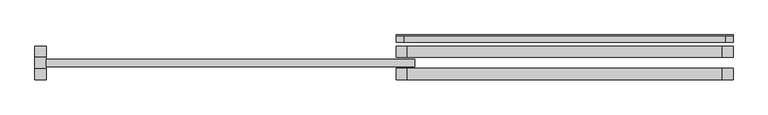
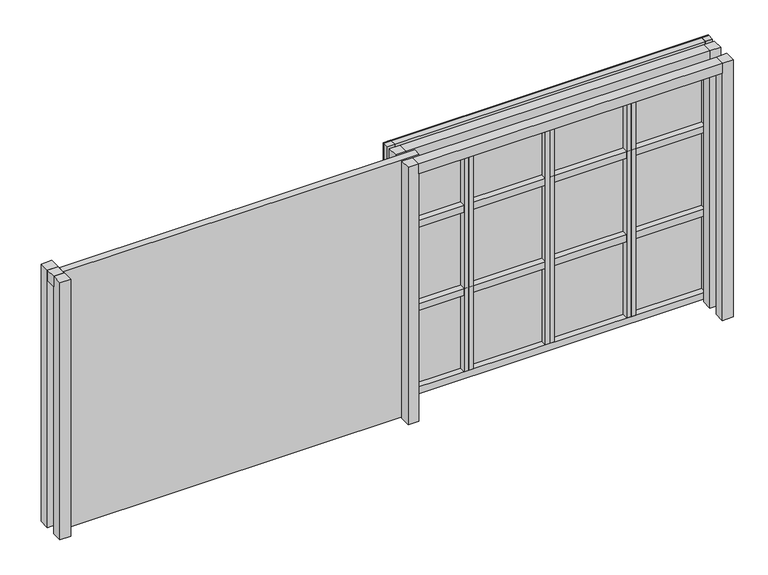
"""IFC4 building model written with IfcOpenShell, lengths in millimetres: proxy geometry."""

from ifc_helpers import new_model, si_unit, frame, origin, origin_with_axes, place, context, project, spatial, polyline, outline, extrude, source, transform, mapped, element, save


def generic_models_c9752da0(model_context):
    return source(origin(), model_context, "Body", "SweptSolid", [
        extrude(outline(polyline([(8139.7490867, 299.2151935), (8139.7490867, 289.2151935), (4520.0, 289.2151935), (4520.0, 299.2151935), (8139.7490867, 299.2151935)])), origin_with_axes(), (0.0, 0.0, 1.0), 3030.0),
        extrude(outline(polyline([(7184.811815, 219.2151935), (7184.811815, 299.2151935), (7234.811815, 299.2151935), (7234.811815, 219.2151935), (7184.811815, 219.2151935)])), frame((0.0, 0.0, 80.0), z_axis=(0.0, 0.0, 1.0), x_axis=(1.0, 0.0, 0.0)), (0.0, 0.0, 1.0), 2870.0),
        extrude(outline(polyline([(7284.811815, 219.2151935), (7234.811815, 219.2151935), (7234.811815, 299.2151935), (7284.811815, 299.2151935), (7284.811815, 219.2151935)])), frame((0.0, 0.0, 80.0), z_axis=(0.0, 0.0, 1.0), x_axis=(1.0, 0.0, 0.0)), (0.0, 0.0, 1.0), 2870.0),
        extrude(outline(polyline([(6279.8745434, 219.2151935), (6279.8745434, 299.2151935), (6329.8745434, 299.2151935), (6329.8745434, 219.2151935), (6279.8745434, 219.2151935)])), frame((0.0, 0.0, 80.0), z_axis=(0.0, 0.0, 1.0), x_axis=(1.0, 0.0, 0.0)), (0.0, 0.0, 1.0), 2870.0),
        extrude(outline(polyline([(6379.8745434, 219.2151935), (6329.8745434, 219.2151935), (6329.8745434, 299.2151935), (6379.8745434, 299.2151935), (6379.8745434, 219.2151935)])), frame((0.0, 0.0, 80.0), z_axis=(0.0, 0.0, 1.0), x_axis=(1.0, 0.0, 0.0)), (0.0, 0.0, 1.0), 2870.0),
        extrude(outline(polyline([(5374.9372717, 219.2151935), (5374.9372717, 299.2151935), (5424.9372717, 299.2151935), (5424.9372717, 219.2151935), (5374.9372717, 219.2151935)])), frame((0.0, 0.0, 80.0), z_axis=(0.0, 0.0, 1.0), x_axis=(1.0, 0.0, 0.0)), (0.0, 0.0, 1.0), 2870.0),
        extrude(outline(polyline([(5474.9372717, 219.2151935), (5424.9372717, 219.2151935), (5424.9372717, 299.2151935), (5474.9372717, 299.2151935), (5474.9372717, 219.2151935)])), frame((0.0, 0.0, 80.0), z_axis=(0.0, 0.0, 1.0), x_axis=(1.0, 0.0, 0.0)), (0.0, 0.0, 1.0), 2870.0),
        extrude(outline(polyline([(4520.0, 219.2151935), (4520.0, 299.2151935), (8139.7490867, 299.2151935), (8139.7490867, 219.2151935), (4520.0, 219.2151935)])), frame((0.0, 0.0, 980.0), z_axis=(0.0, 0.0, 1.0), x_axis=(1.0, 0.0, 0.0)), (0.0, 0.0, 1.0), 80.0),
        extrude(outline(polyline([(4600.0, 219.2151935), (4600.0, 299.2151935), (8139.7490867, 299.2151935), (8139.7490867, 219.2151935), (4600.0, 219.2151935)])), origin_with_axes(), (0.0, 0.0, 1.0), 80.0),
        extrude(outline(polyline([(8059.7490867, 299.2151935), (8139.7490867, 299.2151935), (8139.7490867, 219.2151935), (8059.7490867, 219.2151935), (8059.7490867, 299.2151935)])), origin_with_axes(), (0.0, 0.0, 1.0), 3030.0),
        extrude(outline(polyline([(4520.0, 299.2151935), (4600.0, 299.2151935), (4600.0, 219.2151935), (4520.0, 219.2151935), (4520.0, 299.2151935)])), origin_with_axes(), (0.0, 0.0, 1.0), 3030.0),
        extrude(outline(polyline([(4520.0, 220.0), (4520.0, 300.0), (8139.7490867, 300.0), (8139.7490867, 220.0), (4520.0, 220.0)])), frame((0.0, 0.0, 1960.0), z_axis=(0.0, 0.0, 1.0), x_axis=(1.0, 0.0, 0.0)), (0.0, 0.0, 1.0), 80.0),
        extrude(outline(polyline([(4520.0, 219.4247403), (4520.0, 299.4247403), (8139.7490867, 299.4247403), (8139.7490867, 219.4247403), (4520.0, 219.4247403)])), frame((0.0, 0.0, 2950.0), z_axis=(0.0, 0.0, 1.0), x_axis=(1.0, 0.0, 0.0)), (0.0, 0.0, 1.0), 80.0),
        extrude(outline(polyline([(4640.0, 60.0), (4640.0, 180.0), (8019.7490867, 180.0), (8019.7490867, 60.0), (4640.0, 60.0)])), frame((0.0, 0.0, 2910.0), z_axis=(0.0, 0.0, 1.0), x_axis=(1.0, 0.0, 0.0)), (0.0, 0.0, 1.0), 120.0),
        extrude(outline(polyline([(4640.0, -180.0), (4640.0, -60.0), (8019.7490867, -60.0), (8019.7490867, -180.0), (4640.0, -180.0)])), frame((0.0, 0.0, 2910.0), z_axis=(0.0, 0.0, 1.0), x_axis=(1.0, 0.0, 0.0)), (0.0, 0.0, 1.0), 120.0),
        extrude(outline(polyline([(8139.7490867, 60.0), (8019.7490867, 60.0), (8019.7490867, 180.0), (8139.7490867, 180.0), (8139.7490867, 60.0)])), origin_with_axes(), (0.0, 0.0, 1.0), 3030.0),
        extrude(outline(polyline([(8139.7490867, -180.0), (8019.7490867, -180.0), (8019.7490867, -60.0), (8139.7490867, -60.0), (8139.7490867, -180.0)])), origin_with_axes(), (0.0, 0.0, 1.0), 3030.0),
        extrude(outline(polyline([(4640.0, 60.0), (4520.0, 60.0), (4520.0, 180.0), (4640.0, 180.0), (4640.0, 60.0)])), origin_with_axes(), (0.0, 0.0, 1.0), 3030.0),
        extrude(outline(polyline([(4640.0, -180.0), (4520.0, -180.0), (4520.0, -60.0), (4640.0, -60.0), (4640.0, -180.0)])), origin_with_axes(), (0.0, 0.0, 1.0), 3030.0),
        extrude(outline(polyline([(4720.0, -40.0), (760.9370719, -40.0), (760.9370719, 40.0), (4720.0, 40.0), (4720.0, -40.0)])), origin_with_axes(), (0.0, 0.0, 1.0), 3030.0),
        extrude(outline(polyline([(760.9370719, 60.0), (760.9370719, -60.0), (640.9370719, -60.0), (640.9370719, 60.0), (760.9370719, 60.0)])), frame((0.0, 0.0, 2910.0), z_axis=(0.0, 0.0, 1.0), x_axis=(1.0, 0.0, 0.0)), (0.0, 0.0, 1.0), 120.0),
        extrude(outline(polyline([(760.9370719, 60.0), (640.9370719, 60.0), (640.9370719, 180.0), (760.9370719, 180.0), (760.9370719, 60.0)])), origin_with_axes(), (0.0, 0.0, 1.0), 3030.0),
        extrude(outline(polyline([(760.9370719, -180.0), (640.9370719, -180.0), (640.9370719, -60.0), (760.9370719, -60.0), (760.9370719, -180.0)])), origin_with_axes(), (0.0, 0.0, 1.0), 3030.0),
    ])


if __name__ == "__main__":
    model = new_model("IFC4")
    model_context = context("Model", 3, world=origin())
    ifc_project = project(units=[si_unit("LENGTHUNIT", "METRE", prefix="MILLI")], contexts=[model_context])
    site = spatial("IfcSite", under=ifc_project)
    building = spatial("IfcBuilding", under=site)
    placement = place(None, origin())
    generic_models_shape = generic_models_c9752da0(model_context)
    element("IfcBuildingElementProxy", 1, Name="Generic Models", at=placement, inside=building, context=model_context, shape_type="MappedRepresentation", body=[
        mapped(generic_models_shape, transform((0.0, 0.0, 0.0), x_axis=(1.0, 0.0, 0.0), y_axis=(0.0, 1.0, 0.0), z_axis=(0.0, 0.0, 1.0))),
    ])
    save(model, "model.ifc")
